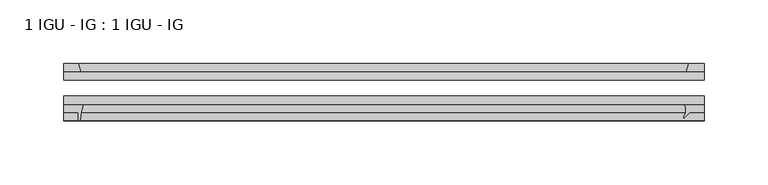
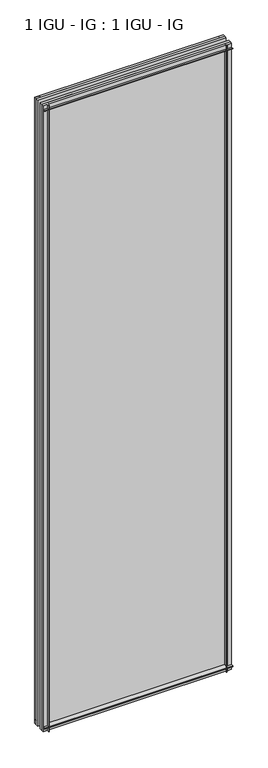
"""IFC4 building model written with IfcOpenShell, lengths in millimetres: plate geometry, 1 IGU - IG : 1 IGU - IG."""

import ifcopenshell
import ifcopenshell.guid

model = None  # the IFC model being written
_history = None  # IfcOwnerHistory: only IFC2X3 demands one
_inside = {}  # id of a spatial element -> (the spatial element, [elements in it])
_under = {}  # id of a project, library or spatial element -> (it, [spatial elements below it])
_declared = {}  # id of a project -> (the project, [libraries it declares])
_typed = {}  # id of a type object -> (the type object, [elements of that type])
_made_of = {}  # id of a material, layer set ... -> (it, [elements and type objects made of it])


def new_model(schema):
    """Start an empty IFC model of exactly this schema.

    Asked for "IFC4X3", IfcOpenShell would pick the latest addendum, in which some entities
    have other attributes; the version numbers below select the first issue.
    IFC2X3 requires an IfcOwnerHistory on every rooted entity: one is made here for all.
    """
    global model, _history
    if schema == "IFC4X3":
        model = ifcopenshell.file(schema_version=(4, 3, 0, 0))
    else:
        model = ifcopenshell.file(schema=schema)
    _inside.clear()
    _under.clear()
    _declared.clear()
    _typed.clear()
    _made_of.clear()
    _history = None
    if model.schema == "IFC2X3":
        org = make("IfcOrganization", Name="unknown")
        user = make(
            "IfcPersonAndOrganization",
            ThePerson=make("IfcPerson", FamilyName="unknown"),
            TheOrganization=org,
        )
        app = make(
            "IfcApplication",
            ApplicationDeveloper=org,
            Version="unknown",
            ApplicationFullName="unknown",
            ApplicationIdentifier="unknown",
        )
        _history = make(
            "IfcOwnerHistory",
            OwningUser=user,
            OwningApplication=app,
            ChangeAction="ADDED",
            CreationDate=0,
        )
    return model


def make(cls, **values):
    """One entity of the class cls with the attributes given. An attribute that is None is left unset."""
    return model.create_entity(
        cls, **{name: value for name, value in values.items() if value is not None}
    )


def rooted(cls, **values):
    """An entity with a GlobalId (a new one), such as an element, a storey or a relation."""
    return make(cls, GlobalId=ifcopenshell.guid.new(), OwnerHistory=_history, **values)


def si_unit(unit_type, name, prefix=None):
    """IfcSIUnit, for example si_unit("LENGTHUNIT", "METRE", prefix="MILLI")."""
    return make("IfcSIUnit", UnitType=unit_type, Prefix=prefix, Name=name)


def assignment(units):
    """IfcUnitAssignment: the units of a project."""
    return None if units is None else make("IfcUnitAssignment", Units=units)


def point(xyz):
    """IfcCartesianPoint."""
    return None if xyz is None else make("IfcCartesianPoint", Coordinates=xyz)


def direction(xyz):
    """IfcDirection."""
    return None if xyz is None else make("IfcDirection", DirectionRatios=xyz)


def frame(location, z_axis=None, x_axis=None):
    """IfcAxis2Placement3D, a coordinate frame: its origin and axes. An axis left out is left unset."""
    return make(
        "IfcAxis2Placement3D",
        Location=point(location),
        Axis=direction(z_axis),
        RefDirection=direction(x_axis),
    )


def frame_2d(location, x_axis=None):
    """IfcAxis2Placement2D, a coordinate frame in the plane: its origin and x axis."""
    return make(
        "IfcAxis2Placement2D", Location=point(location), RefDirection=direction(x_axis)
    )


def origin():
    """The frame at (0, 0, 0) with its axes left unset."""
    return frame((0.0, 0.0, 0.0))


def place(relative_to, where):
    """IfcLocalPlacement: puts the frame where relative to a parent placement (None: the world)."""
    return make(
        "IfcLocalPlacement", PlacementRelTo=relative_to, RelativePlacement=where
    )


def context(
    kind, dimensions, precision=None, world=None, true_north=None, identifier=None
):
    """IfcGeometricRepresentationContext, for example the 3D "Model" context."""
    return make(
        "IfcGeometricRepresentationContext",
        ContextIdentifier=identifier,
        ContextType=kind,
        CoordinateSpaceDimension=dimensions,
        Precision=precision,
        WorldCoordinateSystem=world,
        TrueNorth=true_north,
    )


def project(units=None, contexts=None):
    """IfcProject with its units and contexts."""
    return rooted(
        "IfcProject",
        Name="project",
        RepresentationContexts=contexts,
        UnitsInContext=assignment(units),
    )


def spatial(cls, under=None, at=None, **own):
    """A site, building, storey or space (cls), placed at a placement, below another one or the project."""
    s = rooted(cls, ObjectPlacement=at, **own)
    if under is not None:
        _under.setdefault(under.id(), (under, []))[1].append(s)
    return s


def polyline(points):
    """IfcPolyline through the points."""
    return make("IfcPolyline", Points=[point(p) for p in points])


def circle_curve(where, radius):
    """IfcCircle in the frame where."""
    return make("IfcCircle", Position=where, Radius=radius)


def trimmed(basis, trim1, trim2, sense, master):
    """IfcTrimmedCurve: the piece of a basis curve between two trims."""
    return make(
        "IfcTrimmedCurve",
        BasisCurve=basis,
        Trim1=trim1,
        Trim2=trim2,
        SenseAgreement=sense,
        MasterRepresentation=master,
    )


def segment(curve, same_sense, transition):
    """IfcCompositeCurveSegment."""
    return make(
        "IfcCompositeCurveSegment",
        Transition=transition,
        SameSense=same_sense,
        ParentCurve=curve,
    )


def composite_curve(segments, self_intersect=None):
    """IfcCompositeCurve: segments joined end to end."""
    return make("IfcCompositeCurve", Segments=segments, SelfIntersect=self_intersect)


def outline(outer, holes=None, kind="AREA"):
    """IfcArbitraryClosedProfileDef: a profile drawn as a closed curve; with holes, ...WithVoids."""
    if holes is None:
        return make("IfcArbitraryClosedProfileDef", ProfileType=kind, OuterCurve=outer)
    return make(
        "IfcArbitraryProfileDefWithVoids",
        ProfileType=kind,
        OuterCurve=outer,
        InnerCurves=holes,
    )


def extrude(swept, where, along, depth):
    """IfcExtrudedAreaSolid: the profile swept, set in the frame where, extruded along a direction by depth."""
    return make(
        "IfcExtrudedAreaSolid",
        SweptArea=swept,
        Position=where,
        ExtrudedDirection=direction(along),
        Depth=depth,
    )


def shape(context_of_items, identifier, shape_type, items):
    """IfcShapeRepresentation: the items that make up one representation, for example the "Body"."""
    return make(
        "IfcShapeRepresentation",
        ContextOfItems=context_of_items,
        RepresentationIdentifier=identifier,
        RepresentationType=shape_type,
        Items=items,
    )


def source(mapping_origin, context_of_items, identifier, shape_type, items):
    """IfcRepresentationMap: a shape defined once, which mapped items show again and again."""
    return make(
        "IfcRepresentationMap",
        MappingOrigin=mapping_origin,
        MappedRepresentation=shape(context_of_items, identifier, shape_type, items),
    )


def transform(
    local_origin,
    x_axis=None,
    y_axis=None,
    z_axis=None,
    scale=None,
    scale2=None,
    scale3=None,
    uniform=True,
):
    """IfcCartesianTransformationOperator3D, or its non-uniform kind. x_axis, y_axis, z_axis: its Axis1, 2, 3."""
    if uniform:
        return make(
            "IfcCartesianTransformationOperator3D",
            Axis1=direction(x_axis),
            Axis2=direction(y_axis),
            LocalOrigin=point(local_origin),
            Scale=scale,
            Axis3=direction(z_axis),
        )
    return make(
        "IfcCartesianTransformationOperator3DnonUniform",
        Axis1=direction(x_axis),
        Axis2=direction(y_axis),
        LocalOrigin=point(local_origin),
        Scale=scale,
        Axis3=direction(z_axis),
        Scale2=scale2,
        Scale3=scale3,
    )


def mapped(mapping_source, mapping_target):
    """IfcMappedItem: shows the shape of a source again, moved by a transform."""
    return make(
        "IfcMappedItem", MappingSource=mapping_source, MappingTarget=mapping_target
    )


def made_of(thing, what):
    """Note that an element or type object is made of a material, layer set ...; save() writes the relation."""
    if what is not None:
        _made_of.setdefault(what.id(), (what, []))[1].append(thing)
    return thing


def element(
    cls,
    number,
    at=None,
    inside=None,
    cuts=None,
    type_object=None,
    material=None,
    context=None,
    identifier="Body",
    shape_type=None,
    held_by="IfcProductDefinitionShape",
    body=None,
    shapes=None,
    **own,
):
    """One element of the class cls, such as IfcWall. Its Tag is "e" and its number.

    at: its placement. inside: the storey or other place that contains it. cuts: it is an
    opening in that element (IfcRelVoidsElement). A single representation is given by context,
    identifier, shape_type and body (its items); several are given by shapes. held_by: the class
    of the entity that holds the representations. save() writes the other relations.
    """
    e = rooted(cls, Tag="e%d" % number, ObjectPlacement=at, **own)
    if body is not None:
        shapes = [shape(context, identifier, shape_type, body)]
    if shapes is not None:
        e.Representation = make(held_by, Representations=shapes)
    if inside is not None:
        _inside.setdefault(inside.id(), (inside, []))[1].append(e)
    if cuts is not None:
        rooted(
            "IfcRelVoidsElement", RelatingBuildingElement=cuts, RelatedOpeningElement=e
        )
    if type_object is not None:
        _typed.setdefault(type_object.id(), (type_object, []))[1].append(e)
    return made_of(e, material)


def aggregate(whole, parts):
    """IfcRelAggregates: a whole, such as a stair, and the parts it consists of."""
    return rooted("IfcRelAggregates", RelatingObject=whole, RelatedObjects=parts)


def save(model, path):
    """Write the relations noted so far, then the file.

    IfcRelAggregates (storeys below a building ...), IfcRelContainedInSpatialStructure (elements
    in a storey), IfcRelDefinesByType, IfcRelAssociatesMaterial and IfcRelDeclares: one each for
    every whole, place, type object, material and project.
    """
    for whole, parts in _under.values():
        aggregate(whole, parts)
    for where, things in _inside.values():
        rooted(
            "IfcRelContainedInSpatialStructure",
            RelatedElements=things,
            RelatingStructure=where,
        )
    for kind, things in _typed.values():
        rooted("IfcRelDefinesByType", RelatedObjects=things, RelatingType=kind)
    for what, things in _made_of.values():
        rooted("IfcRelAssociatesMaterial", RelatedObjects=things, RelatingMaterial=what)
    for by, libraries in _declared.values():
        rooted("IfcRelDeclares", RelatingContext=by, RelatedDefinitions=libraries)
    model.write(path)


def plate_1_igu_ig_1_igu_ig_a73e07f2(model_context):
    return source(origin(), model_context, "Body", "SweptSolid", [
        extrude(outline(polyline([(250.3437625, -31.75), (250.3437625, -38.1), (-250.3437625, -38.1), (-250.3437625, -31.75), (250.3437625, -31.75)])), frame((0.0, 0.0, -11.1125), z_axis=(0.0, 0.0, 1.0), x_axis=(1.0, 0.0, 0.0)), (0.0, 0.0, 1.0), 1755.775),
        extrude(outline(polyline([(-250.3437625, -12.7), (250.3437625, -12.7), (250.3437625, -19.05), (-250.3437625, -19.05), (-250.3437625, -12.7)])), frame((0.0, 0.0, -11.1125), z_axis=(0.0, 0.0, 1.0), x_axis=(1.0, 0.0, 0.0)), (0.0, 0.0, 1.0), 1755.775),
        extrude(outline(polyline([(236.2848226, -12.7), (238.3900997, -6.35), (250.3437625, -6.35), (250.3437625, -12.7), (236.2848226, -12.7)])), frame((0.0, 0.0, -11.1125), z_axis=(0.0, 0.0, 1.0), x_axis=(1.0, 0.0, 0.0)), (0.0, 0.0, 1.0), 1755.775),
        extrude(outline(composite_curve([segment(trimmed(circle_curve(frame_2d((227.4926636, -42.5735189)), 8.7187667), [point((234.4925696, -47.7714232))], [point((234.9762805, -38.1))], True, "CARTESIAN"), True, "CONTINUOUS"), segment(polyline([(234.9762805, -38.1), (250.3437625, -38.1), (250.3437625, -44.45), (239.2312625, -44.45), (234.7705531, -48.9107094)]), True, "CONTINUOUS"), segment(trimmed(circle_curve(frame_2d((235.1043452, -48.225708)), 0.762), [point((234.7705531, -48.9107094))], [point((234.4925696, -47.7714232))], False, "CARTESIAN"), True, "CONTINUOUS")], self_intersect=False)), frame((0.0, 0.0, -11.1125), z_axis=(0.0, 0.0, 1.0), x_axis=(1.0, 0.0, 0.0)), (0.0, 0.0, 1.0), 1755.775),
        extrude(outline(composite_curve([segment(polyline([(-250.3437625, -38.1), (-235.0500833, -38.1)]), True, "CONTINUOUS"), segment(trimmed(circle_curve(frame_2d((-191.7910669, -53.3794536)), 45.8781451), [point((-235.0500833, -38.1))], [point((-237.5513198, -50.0925922))], True, "CARTESIAN"), True, "CONTINUOUS"), segment(trimmed(circle_curve(frame_2d((-238.3113617, -50.038)), 0.762), [point((-237.5513198, -50.0925922))], [point((-238.3113617, -50.8))], False, "CARTESIAN"), True, "CONTINUOUS"), segment(polyline([(-238.3113617, -50.8), (-239.2312625, -50.8), (-239.2312625, -44.45), (-250.3437625, -44.45), (-250.3437625, -38.1)]), True, "CONTINUOUS")], self_intersect=False)), frame((0.0, 0.0, -11.1125), z_axis=(0.0, 0.0, 1.0), x_axis=(1.0, 0.0, 0.0)), (0.0, 0.0, 1.0), 1755.775),
        extrude(outline(polyline([(-237.1259855, -12.7), (-250.3437625, -12.7), (-250.3437625, -6.35), (-239.2312625, -6.35), (-237.1259855, -12.7)])), frame((0.0, 0.0, -11.1125), z_axis=(0.0, 0.0, 1.0), x_axis=(1.0, 0.0, 0.0)), (0.0, 0.0, 1.0), 1755.775),
        extrude(outline(polyline([(-12.7, -11.1125), (-12.7, 2.1052771), (-6.35, 0.0), (-6.35, -11.1125), (-12.7, -11.1125)])), frame((-250.3437625, 0.0, 0.0), z_axis=(1.0, 0.0, 0.0), x_axis=(0.0, 1.0, 0.0)), (0.0, 0.0, 1.0), 500.6875251),
        extrude(outline(composite_curve([segment(polyline([(-38.1, 4.1811793), (-38.1, -11.1125), (-44.45, -11.1125), (-44.45, 0.0), (-50.8, 0.0), (-50.8, 0.9199009)]), True, "CONTINUOUS"), segment(trimmed(circle_curve(frame_2d((-50.038, 0.9199009)), 0.762), [point((-50.8, 0.9199009))], [point((-50.0925922, 1.6799428))], False, "CARTESIAN"), True, "CONTINUOUS"), segment(trimmed(circle_curve(frame_2d((-53.3794536, 47.4401956)), 45.8781451), [point((-50.0925922, 1.6799428))], [point((-38.1, 4.1811793))], True, "CARTESIAN"), True, "CONTINUOUS")], self_intersect=False)), frame((-250.3437625, 0.0, 0.0), z_axis=(1.0, 0.0, 0.0), x_axis=(0.0, 1.0, 0.0)), (0.0, 0.0, 1.0), 500.6875251),
        extrude(outline(polyline([(-6.35, 1733.55), (-12.7, 1731.4447229), (-12.7, 1744.6625), (-6.35, 1744.6625), (-6.35, 1733.55)])), frame((-250.3437625, 0.0, 0.0), z_axis=(1.0, 0.0, 0.0), x_axis=(0.0, 1.0, 0.0)), (0.0, 0.0, 1.0), 500.6875251),
        extrude(outline(composite_curve([segment(polyline([(-38.1, 1744.6625), (-38.1, 1729.3688207)]), True, "CONTINUOUS"), segment(trimmed(circle_curve(frame_2d((-53.3794536, 1686.1098044)), 45.8781451), [point((-38.1, 1729.3688207))], [point((-50.0925922, 1731.8700572))], True, "CARTESIAN"), True, "CONTINUOUS"), segment(trimmed(circle_curve(frame_2d((-50.038, 1732.6300991)), 0.762), [point((-50.0925922, 1731.8700572))], [point((-50.8, 1732.6300991))], False, "CARTESIAN"), True, "CONTINUOUS"), segment(polyline([(-50.8, 1732.6300991), (-50.8, 1733.55), (-44.45, 1733.55), (-44.45, 1744.6625), (-38.1, 1744.6625)]), True, "CONTINUOUS")], self_intersect=False)), frame((-250.3437625, 0.0, 0.0), z_axis=(1.0, 0.0, 0.0), x_axis=(0.0, 1.0, 0.0)), (0.0, 0.0, 1.0), 500.6875251),
    ])


if __name__ == "__main__":
    model = new_model("IFC4")
    model_context = context("Model", 3, world=origin())
    ifc_project = project(units=[si_unit("LENGTHUNIT", "METRE", prefix="MILLI")], contexts=[model_context])
    site = spatial("IfcSite", under=ifc_project)
    building = spatial("IfcBuilding", under=site)
    placement = place(None, origin())
    plate_1_igu_ig_1_igu_ig_shape = plate_1_igu_ig_1_igu_ig_a73e07f2(model_context)
    element("IfcPlate", 1, ObjectType="1 IGU - IG : 1 IGU - IG", at=placement, inside=building, context=model_context, shape_type="MappedRepresentation", body=[
        mapped(plate_1_igu_ig_1_igu_ig_shape, transform((0.0, 0.0, 0.0), x_axis=(1.0, 0.0, 0.0), y_axis=(0.0, 1.0, 0.0), z_axis=(0.0, 0.0, 1.0))),
    ])
    save(model, "model.ifc")
